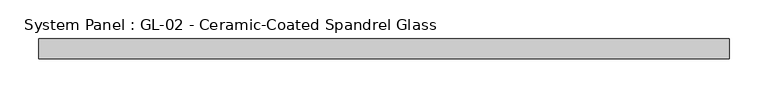
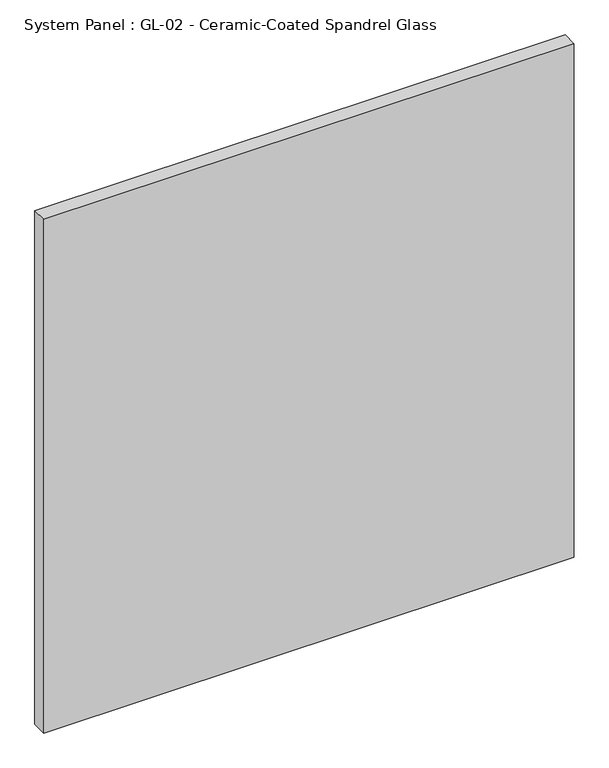
"""IFC4 building model written with IfcOpenShell, lengths in millimetres: plate geometry, System Panel : GL-02 - Ceramic-Coated Spandrel Glass."""

from ifc_helpers import new_model, si_unit, origin, origin_with_axes, place, context, project, spatial, polyline, outline, extrude, source, transform, mapped, element, save


def system_panel_gl_02_ceramic_coated_spandrel_glass_b92b73f6(model_context):
    return source(origin(), model_context, "Body", "SweptSolid", [
        extrude(outline(polyline([(442.3833333, -44.45), (-442.3833333, -44.45), (-442.3833333, -19.05), (442.3833333, -19.05), (442.3833333, -44.45)])), origin_with_axes(), (0.0, 0.0, 1.0), 905.6076923),
    ])


if __name__ == "__main__":
    model = new_model("IFC4")
    model_context = context("Model", 3, world=origin())
    ifc_project = project(units=[si_unit("LENGTHUNIT", "METRE", prefix="MILLI")], contexts=[model_context])
    site = spatial("IfcSite", under=ifc_project)
    building = spatial("IfcBuilding", under=site)
    placement = place(None, origin())
    system_panel_gl_02_ceramic_coated_spandrel_glass_shape = system_panel_gl_02_ceramic_coated_spandrel_glass_b92b73f6(model_context)
    element("IfcPlate", 1, ObjectType="System Panel : GL-02 - Ceramic-Coated Spandrel Glass", at=placement, inside=building, context=model_context, shape_type="MappedRepresentation", body=[
        mapped(system_panel_gl_02_ceramic_coated_spandrel_glass_shape, transform((0.0, 0.0, 0.0), x_axis=(1.0, 0.0, 0.0), y_axis=(0.0, 1.0, 0.0), z_axis=(0.0, 0.0, 1.0))),
    ])
    save(model, "model.ifc")
